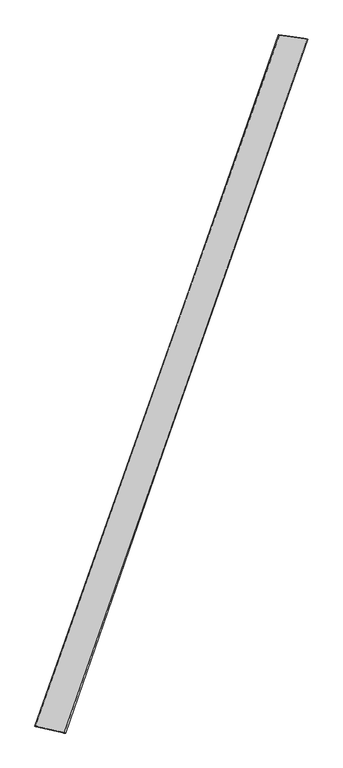
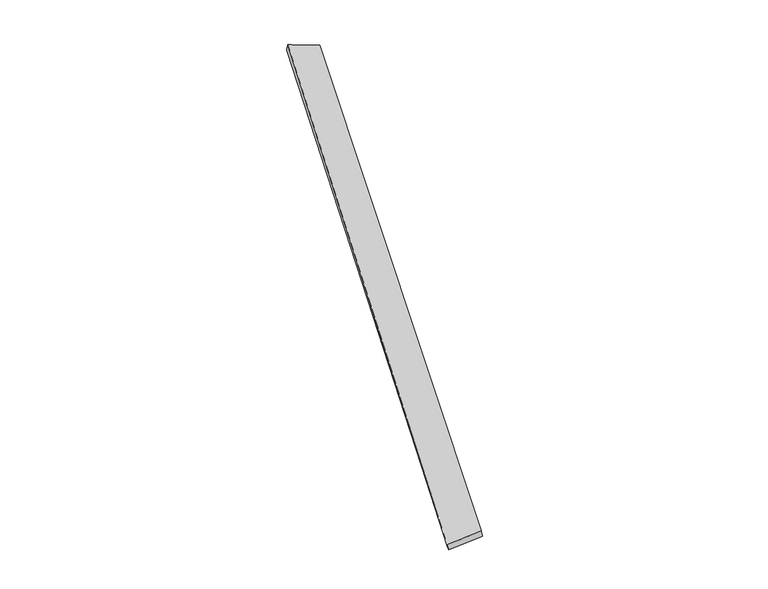
"""IFC4 building model written with IfcOpenShell, lengths in millimetres: proxy geometry."""

import ifcopenshell
import ifcopenshell.guid

model = None  # the IFC model being written
_history = None  # IfcOwnerHistory: only IFC2X3 demands one
_inside = {}  # id of a spatial element -> (the spatial element, [elements in it])
_under = {}  # id of a project, library or spatial element -> (it, [spatial elements below it])
_declared = {}  # id of a project -> (the project, [libraries it declares])
_typed = {}  # id of a type object -> (the type object, [elements of that type])
_made_of = {}  # id of a material, layer set ... -> (it, [elements and type objects made of it])


def new_model(schema):
    """Start an empty IFC model of exactly this schema.

    Asked for "IFC4X3", IfcOpenShell would pick the latest addendum, in which some entities
    have other attributes; the version numbers below select the first issue.
    IFC2X3 requires an IfcOwnerHistory on every rooted entity: one is made here for all.
    """
    global model, _history
    if schema == "IFC4X3":
        model = ifcopenshell.file(schema_version=(4, 3, 0, 0))
    else:
        model = ifcopenshell.file(schema=schema)
    _inside.clear()
    _under.clear()
    _declared.clear()
    _typed.clear()
    _made_of.clear()
    _history = None
    if model.schema == "IFC2X3":
        org = make("IfcOrganization", Name="unknown")
        user = make(
            "IfcPersonAndOrganization",
            ThePerson=make("IfcPerson", FamilyName="unknown"),
            TheOrganization=org,
        )
        app = make(
            "IfcApplication",
            ApplicationDeveloper=org,
            Version="unknown",
            ApplicationFullName="unknown",
            ApplicationIdentifier="unknown",
        )
        _history = make(
            "IfcOwnerHistory",
            OwningUser=user,
            OwningApplication=app,
            ChangeAction="ADDED",
            CreationDate=0,
        )
    return model


def make(cls, **values):
    """One entity of the class cls with the attributes given. An attribute that is None is left unset."""
    return model.create_entity(
        cls, **{name: value for name, value in values.items() if value is not None}
    )


def rooted(cls, **values):
    """An entity with a GlobalId (a new one), such as an element, a storey or a relation."""
    return make(cls, GlobalId=ifcopenshell.guid.new(), OwnerHistory=_history, **values)


def si_unit(unit_type, name, prefix=None):
    """IfcSIUnit, for example si_unit("LENGTHUNIT", "METRE", prefix="MILLI")."""
    return make("IfcSIUnit", UnitType=unit_type, Prefix=prefix, Name=name)


def assignment(units):
    """IfcUnitAssignment: the units of a project."""
    return None if units is None else make("IfcUnitAssignment", Units=units)


def point(xyz):
    """IfcCartesianPoint."""
    return None if xyz is None else make("IfcCartesianPoint", Coordinates=xyz)


def direction(xyz):
    """IfcDirection."""
    return None if xyz is None else make("IfcDirection", DirectionRatios=xyz)


def frame(location, z_axis=None, x_axis=None):
    """IfcAxis2Placement3D, a coordinate frame: its origin and axes. An axis left out is left unset."""
    return make(
        "IfcAxis2Placement3D",
        Location=point(location),
        Axis=direction(z_axis),
        RefDirection=direction(x_axis),
    )


def origin():
    """The frame at (0, 0, 0) with its axes left unset."""
    return frame((0.0, 0.0, 0.0))


def place(relative_to, where):
    """IfcLocalPlacement: puts the frame where relative to a parent placement (None: the world)."""
    return make(
        "IfcLocalPlacement", PlacementRelTo=relative_to, RelativePlacement=where
    )


def context(
    kind, dimensions, precision=None, world=None, true_north=None, identifier=None
):
    """IfcGeometricRepresentationContext, for example the 3D "Model" context."""
    return make(
        "IfcGeometricRepresentationContext",
        ContextIdentifier=identifier,
        ContextType=kind,
        CoordinateSpaceDimension=dimensions,
        Precision=precision,
        WorldCoordinateSystem=world,
        TrueNorth=true_north,
    )


def project(units=None, contexts=None):
    """IfcProject with its units and contexts."""
    return rooted(
        "IfcProject",
        Name="project",
        RepresentationContexts=contexts,
        UnitsInContext=assignment(units),
    )


def spatial(cls, under=None, at=None, **own):
    """A site, building, storey or space (cls), placed at a placement, below another one or the project."""
    s = rooted(cls, ObjectPlacement=at, **own)
    if under is not None:
        _under.setdefault(under.id(), (under, []))[1].append(s)
    return s


def shape(context_of_items, identifier, shape_type, items):
    """IfcShapeRepresentation: the items that make up one representation, for example the "Body"."""
    return make(
        "IfcShapeRepresentation",
        ContextOfItems=context_of_items,
        RepresentationIdentifier=identifier,
        RepresentationType=shape_type,
        Items=items,
    )


def source(mapping_origin, context_of_items, identifier, shape_type, items):
    """IfcRepresentationMap: a shape defined once, which mapped items show again and again."""
    return make(
        "IfcRepresentationMap",
        MappingOrigin=mapping_origin,
        MappedRepresentation=shape(context_of_items, identifier, shape_type, items),
    )


def transform(
    local_origin,
    x_axis=None,
    y_axis=None,
    z_axis=None,
    scale=None,
    scale2=None,
    scale3=None,
    uniform=True,
):
    """IfcCartesianTransformationOperator3D, or its non-uniform kind. x_axis, y_axis, z_axis: its Axis1, 2, 3."""
    if uniform:
        return make(
            "IfcCartesianTransformationOperator3D",
            Axis1=direction(x_axis),
            Axis2=direction(y_axis),
            LocalOrigin=point(local_origin),
            Scale=scale,
            Axis3=direction(z_axis),
        )
    return make(
        "IfcCartesianTransformationOperator3DnonUniform",
        Axis1=direction(x_axis),
        Axis2=direction(y_axis),
        LocalOrigin=point(local_origin),
        Scale=scale,
        Axis3=direction(z_axis),
        Scale2=scale2,
        Scale3=scale3,
    )


def mapped(mapping_source, mapping_target):
    """IfcMappedItem: shows the shape of a source again, moved by a transform."""
    return make(
        "IfcMappedItem", MappingSource=mapping_source, MappingTarget=mapping_target
    )


def made_of(thing, what):
    """Note that an element or type object is made of a material, layer set ...; save() writes the relation."""
    if what is not None:
        _made_of.setdefault(what.id(), (what, []))[1].append(thing)
    return thing


def element(
    cls,
    number,
    at=None,
    inside=None,
    cuts=None,
    type_object=None,
    material=None,
    context=None,
    identifier="Body",
    shape_type=None,
    held_by="IfcProductDefinitionShape",
    body=None,
    shapes=None,
    **own,
):
    """One element of the class cls, such as IfcWall. Its Tag is "e" and its number.

    at: its placement. inside: the storey or other place that contains it. cuts: it is an
    opening in that element (IfcRelVoidsElement). A single representation is given by context,
    identifier, shape_type and body (its items); several are given by shapes. held_by: the class
    of the entity that holds the representations. save() writes the other relations.
    """
    e = rooted(cls, Tag="e%d" % number, ObjectPlacement=at, **own)
    if body is not None:
        shapes = [shape(context, identifier, shape_type, body)]
    if shapes is not None:
        e.Representation = make(held_by, Representations=shapes)
    if inside is not None:
        _inside.setdefault(inside.id(), (inside, []))[1].append(e)
    if cuts is not None:
        rooted(
            "IfcRelVoidsElement", RelatingBuildingElement=cuts, RelatedOpeningElement=e
        )
    if type_object is not None:
        _typed.setdefault(type_object.id(), (type_object, []))[1].append(e)
    return made_of(e, material)


def aggregate(whole, parts):
    """IfcRelAggregates: a whole, such as a stair, and the parts it consists of."""
    return rooted("IfcRelAggregates", RelatingObject=whole, RelatedObjects=parts)


def save(model, path):
    """Write the relations noted so far, then the file.

    IfcRelAggregates (storeys below a building ...), IfcRelContainedInSpatialStructure (elements
    in a storey), IfcRelDefinesByType, IfcRelAssociatesMaterial and IfcRelDeclares: one each for
    every whole, place, type object, material and project.
    """
    for whole, parts in _under.values():
        aggregate(whole, parts)
    for where, things in _inside.values():
        rooted(
            "IfcRelContainedInSpatialStructure",
            RelatedElements=things,
            RelatingStructure=where,
        )
    for kind, things in _typed.values():
        rooted("IfcRelDefinesByType", RelatedObjects=things, RelatingType=kind)
    for what, things in _made_of.values():
        rooted("IfcRelAssociatesMaterial", RelatedObjects=things, RelatingMaterial=what)
    for by, libraries in _declared.values():
        rooted("IfcRelDeclares", RelatingContext=by, RelatedDefinitions=libraries)
    model.write(path)


def spline_surface(u_degree, v_degree, points, u_multiplicities, v_multiplicities, u_knots, v_knots, weights=None):
    """IfcBSplineSurfaceWithKnots; with weights, IfcRationalBSplineSurfaceWithKnots. points: one row for each step in u."""
    own = dict(
        UDegree=u_degree,
        VDegree=v_degree,
        ControlPointsList=[[point(p) for p in row] for row in points],
        SurfaceForm="UNSPECIFIED",
        UClosed=False,
        VClosed=False,
        SelfIntersect=False,
        UMultiplicities=u_multiplicities,
        VMultiplicities=v_multiplicities,
        UKnots=u_knots,
        VKnots=v_knots,
        KnotSpec="UNSPECIFIED",
    )
    if weights is None:
        return make("IfcBSplineSurfaceWithKnots", **own)
    return make("IfcRationalBSplineSurfaceWithKnots", WeightsData=weights, **own)


def advanced_brep(points, edges, surfaces, faces):
    """IfcAdvancedBrep: a solid bounded by faces that lie on surfaces and meet in shared edges.

    An edge is (start, end): straight between two places in points (the first is 0);
    or (start, end, curve); or (start, end, curve, False) where it runs against its curve.
    A face is (place in surfaces, loops), or (place, loops, False) where it looks against
    its surface's normal. A loop lists edges by number (the first is 1), with a minus sign
    where the edge is run from its end to its start. The first loop is the outer one.
    """
    corners = [point(p) for p in points]
    vertices = [make("IfcVertexPoint", VertexGeometry=c) for c in corners]
    made = []
    for start, end, *more in edges:
        made.append(
            make(
                "IfcEdgeCurve",
                EdgeStart=vertices[start],
                EdgeEnd=vertices[end],
                EdgeGeometry=more[0] if more else make("IfcPolyline", Points=[corners[start], corners[end]]),
                SameSense=more[1] if len(more) > 1 else True,
            )
        )
    hull = []
    for where, loops, *sense in faces:
        bounds = []
        for j, loop in enumerate(loops):
            ring = [make("IfcOrientedEdge", EdgeElement=made[abs(k) - 1], Orientation=k > 0) for k in loop]
            bounds.append(
                make(
                    "IfcFaceOuterBound" if j == 0 else "IfcFaceBound",
                    Bound=make("IfcEdgeLoop", EdgeList=ring),
                    Orientation=True,
                )
            )
        hull.append(make("IfcAdvancedFace", Bounds=bounds, FaceSurface=surfaces[where], SameSense=sense[0] if sense else True))
    return make("IfcAdvancedBrep", Outer=make("IfcClosedShell", CfsFaces=hull))


def generic_models_8aded8c2(model_context):
    return source(origin(), model_context, "Body", "AdvancedBrep", [
        advanced_brep(
        [(-679.0791518, -1720.3338512, -20.8363417), (-687.0197123, -1717.8738282, 7.9889212), (676.3114265, 2126.8495787, 51.3471017), (669.7773025, 2129.4648316, 22.184357), (-522.5493038, -1753.5589915, 50.1065515), (834.8869482, 2104.0152432, 6.4005708), (-516.7103813, -1755.9144212, 20.7746758), (826.0122306, 2106.7834409, -22.1226911)],
        [
            (0, 1),
            (1, 2),
            (2, 3),
            (3, 0),
            (1, 4),
            (4, 5),
            (5, 2),
            (4, 6),
            (6, 7),
            (7, 5),
            (6, 0),
            (3, 7),
        ],
        [
            spline_surface(1, 1, [[(-679.0791518, -1720.3338512, -20.8363417), (669.7773025, 2129.4648316, 22.184357)], [(-687.0197123, -1717.8738282, 7.9889212), (676.3114265, 2126.8495787, 51.3471017)]], [2, 2], [2, 2], [0.0, 1.0], [0.0, 1.0]),
            spline_surface(1, 1, [[(-687.0197123, -1717.8738282, 7.9889212), (676.3114265, 2126.8495787, 51.3471017)], [(-522.5493038, -1753.5589915, 50.1065515), (834.8869482, 2104.0152432, 6.4005708)]], [2, 2], [2, 2], [0.0, 1.0], [0.0, 1.0]),
            spline_surface(1, 1, [[(-522.5493038, -1753.5589915, 50.1065515), (834.8869482, 2104.0152432, 6.4005708)], [(-516.7103813, -1755.9144212, 20.7746758), (826.0122306, 2106.7834409, -22.1226911)]], [2, 2], [2, 2], [0.0, 1.0], [0.0, 1.0]),
            spline_surface(1, 1, [[(-516.7103813, -1755.9144212, 20.7746758), (826.0122306, 2106.7834409, -22.1226911)], [(-679.0791518, -1720.3338512, -20.8363417), (669.7773025, 2129.4648316, 22.184357)]], [2, 2], [2, 2], [0.0, 1.0], [0.0, 1.0]),
            spline_surface(1, 1, [[(676.3114265, 2126.8495787, 51.3471017), (669.7773025, 2129.4648316, 22.184357)], [(834.8869482, 2104.0152432, 6.4005708), (826.0122306, 2106.7834409, -22.1226911)]], [2, 2], [2, 2], [0.0, 1.0], [0.0, 1.0]),
            spline_surface(1, 1, [[(-516.7103813, -1755.9144212, 20.7746758), (-679.0791518, -1720.3338512, -20.8363417)], [(-522.5493038, -1753.5589915, 50.1065515), (-687.0197123, -1717.8738282, 7.9889212)]], [2, 2], [2, 2], [0.0, 1.0], [0.0, 1.0]),
        ],
        [
            (0, [[1, 2, 3, 4]]),
            (1, [[5, 6, 7, -2]]),
            (2, [[8, 9, 10, -6]]),
            (3, [[11, -4, 12, -9]]),
            (4, [[-3, -7, -10, -12]]),
            (5, [[-11, -8, -5, -1]]),
        ],
    ),
    ])


if __name__ == "__main__":
    model = new_model("IFC4")
    model_context = context("Model", 3, world=origin())
    ifc_project = project(units=[si_unit("LENGTHUNIT", "METRE", prefix="MILLI")], contexts=[model_context])
    site = spatial("IfcSite", under=ifc_project)
    building = spatial("IfcBuilding", under=site)
    placement = place(None, origin())
    generic_models_shape = generic_models_8aded8c2(model_context)
    element("IfcBuildingElementProxy", 1, Name="Generic Models", at=placement, inside=building, context=model_context, shape_type="MappedRepresentation", body=[
        mapped(generic_models_shape, transform((0.0, 0.0, 0.0), x_axis=(1.0, 0.0, 0.0), y_axis=(0.0, 1.0, 0.0), z_axis=(0.0, 0.0, 1.0))),
    ])
    save(model, "model.ifc")
